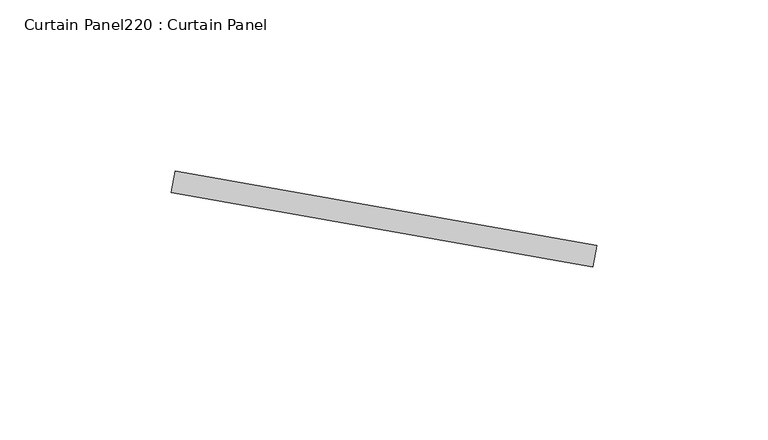
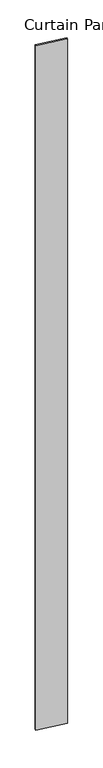
"""IFC4 building model written with IfcOpenShell, lengths in millimetres: plate geometry, Curtain Panel220 : Curtain Panel."""

from ifc_helpers import new_model, si_unit, frame, origin, place, context, project, spatial, polyline, outline, extrude, source, transform, mapped, element, save


def curtain_panel220_curtain_panel_5b123c64(model_context):
    return source(origin(), model_context, "Body", "SweptSolid", [
        extrude(outline(polyline([(627848.4492384, 2403.5882128), (627971.3311988, 2381.9208077), (627970.2285329, 2375.6672785), (627847.3465725, 2397.3346835), (627848.4492384, 2403.5882128)])), frame((0.0, 0.0, 4959.7989371), z_axis=(0.0, 0.0, 1.0), x_axis=(1.0, 0.0, 0.0)), (0.0, 0.0, 1.0), 3048.0),
    ])


if __name__ == "__main__":
    model = new_model("IFC4")
    model_context = context("Model", 3, world=origin())
    ifc_project = project(units=[si_unit("LENGTHUNIT", "METRE", prefix="MILLI")], contexts=[model_context])
    site = spatial("IfcSite", under=ifc_project)
    building = spatial("IfcBuilding", under=site)
    placement = place(None, origin())
    curtain_panel220_curtain_panel_shape = curtain_panel220_curtain_panel_5b123c64(model_context)
    element("IfcPlate", 1, ObjectType="Curtain Panel220 : Curtain Panel", at=placement, inside=building, context=model_context, shape_type="MappedRepresentation", body=[
        mapped(curtain_panel220_curtain_panel_shape, transform((0.0, 0.0, 0.0), x_axis=(1.0, 0.0, 0.0), y_axis=(0.0, 1.0, 0.0), z_axis=(0.0, 0.0, 1.0))),
    ])
    save(model, "model.ifc")
